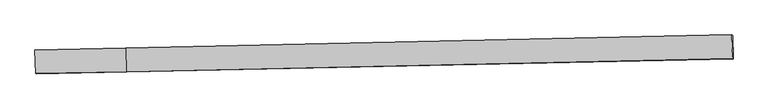
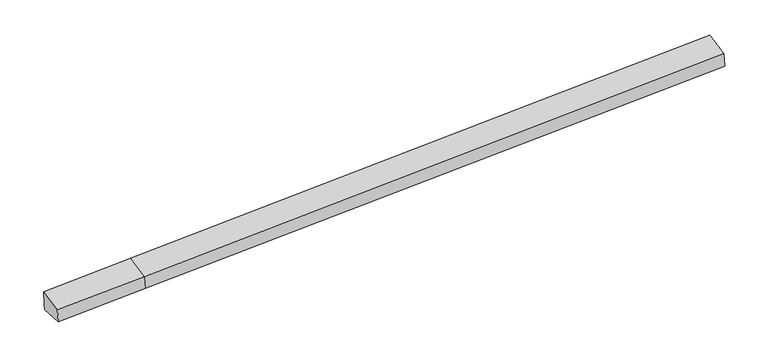
"""IFC4 building model written with IfcOpenShell, lengths in millimetres: proxy geometry."""

import ifcopenshell
import ifcopenshell.guid

model = None  # the IFC model being written
_history = None  # IfcOwnerHistory: only IFC2X3 demands one
_inside = {}  # id of a spatial element -> (the spatial element, [elements in it])
_under = {}  # id of a project, library or spatial element -> (it, [spatial elements below it])
_declared = {}  # id of a project -> (the project, [libraries it declares])
_typed = {}  # id of a type object -> (the type object, [elements of that type])
_made_of = {}  # id of a material, layer set ... -> (it, [elements and type objects made of it])


def new_model(schema):
    """Start an empty IFC model of exactly this schema.

    Asked for "IFC4X3", IfcOpenShell would pick the latest addendum, in which some entities
    have other attributes; the version numbers below select the first issue.
    IFC2X3 requires an IfcOwnerHistory on every rooted entity: one is made here for all.
    """
    global model, _history
    if schema == "IFC4X3":
        model = ifcopenshell.file(schema_version=(4, 3, 0, 0))
    else:
        model = ifcopenshell.file(schema=schema)
    _inside.clear()
    _under.clear()
    _declared.clear()
    _typed.clear()
    _made_of.clear()
    _history = None
    if model.schema == "IFC2X3":
        org = make("IfcOrganization", Name="unknown")
        user = make(
            "IfcPersonAndOrganization",
            ThePerson=make("IfcPerson", FamilyName="unknown"),
            TheOrganization=org,
        )
        app = make(
            "IfcApplication",
            ApplicationDeveloper=org,
            Version="unknown",
            ApplicationFullName="unknown",
            ApplicationIdentifier="unknown",
        )
        _history = make(
            "IfcOwnerHistory",
            OwningUser=user,
            OwningApplication=app,
            ChangeAction="ADDED",
            CreationDate=0,
        )
    return model


def make(cls, **values):
    """One entity of the class cls with the attributes given. An attribute that is None is left unset."""
    return model.create_entity(
        cls, **{name: value for name, value in values.items() if value is not None}
    )


def rooted(cls, **values):
    """An entity with a GlobalId (a new one), such as an element, a storey or a relation."""
    return make(cls, GlobalId=ifcopenshell.guid.new(), OwnerHistory=_history, **values)


def si_unit(unit_type, name, prefix=None):
    """IfcSIUnit, for example si_unit("LENGTHUNIT", "METRE", prefix="MILLI")."""
    return make("IfcSIUnit", UnitType=unit_type, Prefix=prefix, Name=name)


def assignment(units):
    """IfcUnitAssignment: the units of a project."""
    return None if units is None else make("IfcUnitAssignment", Units=units)


def point(xyz):
    """IfcCartesianPoint."""
    return None if xyz is None else make("IfcCartesianPoint", Coordinates=xyz)


def direction(xyz):
    """IfcDirection."""
    return None if xyz is None else make("IfcDirection", DirectionRatios=xyz)


def frame(location, z_axis=None, x_axis=None):
    """IfcAxis2Placement3D, a coordinate frame: its origin and axes. An axis left out is left unset."""
    return make(
        "IfcAxis2Placement3D",
        Location=point(location),
        Axis=direction(z_axis),
        RefDirection=direction(x_axis),
    )


def origin():
    """The frame at (0, 0, 0) with its axes left unset."""
    return frame((0.0, 0.0, 0.0))


def place(relative_to, where):
    """IfcLocalPlacement: puts the frame where relative to a parent placement (None: the world)."""
    return make(
        "IfcLocalPlacement", PlacementRelTo=relative_to, RelativePlacement=where
    )


def context(
    kind, dimensions, precision=None, world=None, true_north=None, identifier=None
):
    """IfcGeometricRepresentationContext, for example the 3D "Model" context."""
    return make(
        "IfcGeometricRepresentationContext",
        ContextIdentifier=identifier,
        ContextType=kind,
        CoordinateSpaceDimension=dimensions,
        Precision=precision,
        WorldCoordinateSystem=world,
        TrueNorth=true_north,
    )


def project(units=None, contexts=None):
    """IfcProject with its units and contexts."""
    return rooted(
        "IfcProject",
        Name="project",
        RepresentationContexts=contexts,
        UnitsInContext=assignment(units),
    )


def spatial(cls, under=None, at=None, **own):
    """A site, building, storey or space (cls), placed at a placement, below another one or the project."""
    s = rooted(cls, ObjectPlacement=at, **own)
    if under is not None:
        _under.setdefault(under.id(), (under, []))[1].append(s)
    return s


def shape(context_of_items, identifier, shape_type, items):
    """IfcShapeRepresentation: the items that make up one representation, for example the "Body"."""
    return make(
        "IfcShapeRepresentation",
        ContextOfItems=context_of_items,
        RepresentationIdentifier=identifier,
        RepresentationType=shape_type,
        Items=items,
    )


def source(mapping_origin, context_of_items, identifier, shape_type, items):
    """IfcRepresentationMap: a shape defined once, which mapped items show again and again."""
    return make(
        "IfcRepresentationMap",
        MappingOrigin=mapping_origin,
        MappedRepresentation=shape(context_of_items, identifier, shape_type, items),
    )


def transform(
    local_origin,
    x_axis=None,
    y_axis=None,
    z_axis=None,
    scale=None,
    scale2=None,
    scale3=None,
    uniform=True,
):
    """IfcCartesianTransformationOperator3D, or its non-uniform kind. x_axis, y_axis, z_axis: its Axis1, 2, 3."""
    if uniform:
        return make(
            "IfcCartesianTransformationOperator3D",
            Axis1=direction(x_axis),
            Axis2=direction(y_axis),
            LocalOrigin=point(local_origin),
            Scale=scale,
            Axis3=direction(z_axis),
        )
    return make(
        "IfcCartesianTransformationOperator3DnonUniform",
        Axis1=direction(x_axis),
        Axis2=direction(y_axis),
        LocalOrigin=point(local_origin),
        Scale=scale,
        Axis3=direction(z_axis),
        Scale2=scale2,
        Scale3=scale3,
    )


def mapped(mapping_source, mapping_target):
    """IfcMappedItem: shows the shape of a source again, moved by a transform."""
    return make(
        "IfcMappedItem", MappingSource=mapping_source, MappingTarget=mapping_target
    )


def made_of(thing, what):
    """Note that an element or type object is made of a material, layer set ...; save() writes the relation."""
    if what is not None:
        _made_of.setdefault(what.id(), (what, []))[1].append(thing)
    return thing


def element(
    cls,
    number,
    at=None,
    inside=None,
    cuts=None,
    type_object=None,
    material=None,
    context=None,
    identifier="Body",
    shape_type=None,
    held_by="IfcProductDefinitionShape",
    body=None,
    shapes=None,
    **own,
):
    """One element of the class cls, such as IfcWall. Its Tag is "e" and its number.

    at: its placement. inside: the storey or other place that contains it. cuts: it is an
    opening in that element (IfcRelVoidsElement). A single representation is given by context,
    identifier, shape_type and body (its items); several are given by shapes. held_by: the class
    of the entity that holds the representations. save() writes the other relations.
    """
    e = rooted(cls, Tag="e%d" % number, ObjectPlacement=at, **own)
    if body is not None:
        shapes = [shape(context, identifier, shape_type, body)]
    if shapes is not None:
        e.Representation = make(held_by, Representations=shapes)
    if inside is not None:
        _inside.setdefault(inside.id(), (inside, []))[1].append(e)
    if cuts is not None:
        rooted(
            "IfcRelVoidsElement", RelatingBuildingElement=cuts, RelatedOpeningElement=e
        )
    if type_object is not None:
        _typed.setdefault(type_object.id(), (type_object, []))[1].append(e)
    return made_of(e, material)


def aggregate(whole, parts):
    """IfcRelAggregates: a whole, such as a stair, and the parts it consists of."""
    return rooted("IfcRelAggregates", RelatingObject=whole, RelatedObjects=parts)


def save(model, path):
    """Write the relations noted so far, then the file.

    IfcRelAggregates (storeys below a building ...), IfcRelContainedInSpatialStructure (elements
    in a storey), IfcRelDefinesByType, IfcRelAssociatesMaterial and IfcRelDeclares: one each for
    every whole, place, type object, material and project.
    """
    for whole, parts in _under.values():
        aggregate(whole, parts)
    for where, things in _inside.values():
        rooted(
            "IfcRelContainedInSpatialStructure",
            RelatedElements=things,
            RelatingStructure=where,
        )
    for kind, things in _typed.values():
        rooted("IfcRelDefinesByType", RelatedObjects=things, RelatingType=kind)
    for what, things in _made_of.values():
        rooted("IfcRelAssociatesMaterial", RelatedObjects=things, RelatingMaterial=what)
    for by, libraries in _declared.values():
        rooted("IfcRelDeclares", RelatingContext=by, RelatedDefinitions=libraries)
    model.write(path)


def plane_surface(at):
    """IfcPlane: the flat surface through the origin of the frame at, square to its z axis."""
    return make("IfcPlane", Position=at)


def spline_surface(u_degree, v_degree, points, u_multiplicities, v_multiplicities, u_knots, v_knots, weights=None):
    """IfcBSplineSurfaceWithKnots; with weights, IfcRationalBSplineSurfaceWithKnots. points: one row for each step in u."""
    own = dict(
        UDegree=u_degree,
        VDegree=v_degree,
        ControlPointsList=[[point(p) for p in row] for row in points],
        SurfaceForm="UNSPECIFIED",
        UClosed=False,
        VClosed=False,
        SelfIntersect=False,
        UMultiplicities=u_multiplicities,
        VMultiplicities=v_multiplicities,
        UKnots=u_knots,
        VKnots=v_knots,
        KnotSpec="UNSPECIFIED",
    )
    if weights is None:
        return make("IfcBSplineSurfaceWithKnots", **own)
    return make("IfcRationalBSplineSurfaceWithKnots", WeightsData=weights, **own)


def advanced_brep(points, edges, surfaces, faces):
    """IfcAdvancedBrep: a solid bounded by faces that lie on surfaces and meet in shared edges.

    An edge is (start, end): straight between two places in points (the first is 0);
    or (start, end, curve); or (start, end, curve, False) where it runs against its curve.
    A face is (place in surfaces, loops), or (place, loops, False) where it looks against
    its surface's normal. A loop lists edges by number (the first is 1), with a minus sign
    where the edge is run from its end to its start. The first loop is the outer one.
    """
    corners = [point(p) for p in points]
    vertices = [make("IfcVertexPoint", VertexGeometry=c) for c in corners]
    made = []
    for start, end, *more in edges:
        made.append(
            make(
                "IfcEdgeCurve",
                EdgeStart=vertices[start],
                EdgeEnd=vertices[end],
                EdgeGeometry=more[0] if more else make("IfcPolyline", Points=[corners[start], corners[end]]),
                SameSense=more[1] if len(more) > 1 else True,
            )
        )
    hull = []
    for where, loops, *sense in faces:
        bounds = []
        for j, loop in enumerate(loops):
            ring = [make("IfcOrientedEdge", EdgeElement=made[abs(k) - 1], Orientation=k > 0) for k in loop]
            bounds.append(
                make(
                    "IfcFaceOuterBound" if j == 0 else "IfcFaceBound",
                    Bound=make("IfcEdgeLoop", EdgeList=ring),
                    Orientation=True,
                )
            )
        hull.append(make("IfcAdvancedFace", Bounds=bounds, FaceSurface=surfaces[where], SameSense=sense[0] if sense else True))
    return make("IfcAdvancedBrep", Outer=make("IfcClosedShell", CfsFaces=hull))


def generic_models_cc603905(model_context):
    return source(origin(), model_context, "Body", "AdvancedBrep", [
        advanced_brep(
        [(-7903.0762408, -2095.8645235, 1867.8177787), (-7887.2197425, -2108.4701657, 1474.1097009), (-5157.1584821, -2056.8983398, 1585.4022385), (-5172.3790006, -2044.7982904, 1963.3192911), (-7901.476811, -1413.9909029, 1451.2998454), (-5171.825826, -1342.4340622, 1561.9359843), (-7908.9177992, -1408.0754458, 1636.0554653), (-5178.8645986, -1336.8383595, 1736.7048139), (-7925.4566141, -1394.9273736, 2046.7050876), (-5195.4034134, -1323.6902873, 2147.3544362), (13040.1843291, -940.0058539, 2467.872578), (13024.6063647, -927.6216412, 2854.6648172), (13047.4683725, -1640.768139, 2670.3419529), (13063.5369555, -1653.542385, 2271.3679268), (13049.0330719, -947.0404516, 2248.1631922)],
        [
            (0, 1),
            (1, 2),
            (2, 3),
            (3, 0),
            (1, 4),
            (4, 5),
            (5, 1),
            (4, 6),
            (6, 7),
            (7, 5),
            (6, 8),
            (8, 9),
            (9, 7),
            (8, 0),
            (3, 9),
            (10, 11),
            (11, 12),
            (12, 13),
            (13, 14),
            (14, 10),
            (5, 2),
            (9, 11),
            (10, 7),
            (3, 12),
            (2, 13),
            (5, 14),
        ],
        [
            plane_surface(frame((-7895.1479916, -2102.1673446, 1670.9637398), z_axis=(0.01754421493693585, -0.9993111437051945, 0.03270227192203891), x_axis=(0.04022155778455361, -0.03197544390701064, -0.9986790261522135))),
            plane_surface(frame((-7894.3482768, -1761.2305343, 1462.7047732), z_axis=(0.04131352301164905, -0.03195158777025332, -0.9986352131060299), x_axis=(-0.02051376759799238, 0.9992507378768937, -0.032819935883834445))),
            plane_surface(frame((-7905.1973051, -1411.0331744, 1543.6776554), z_axis=(-0.024855090769940687, 0.99914653029992, -0.032991445140359), x_axis=(-0.04022155778460546, 0.0319754439070043, 0.9986790261522116))),
            plane_surface(frame((-7917.1872066, -1401.5014097, 1841.3802764), z_axis=(-0.02485509076994027, 0.9991465302999198, -0.032991445140364326), x_axis=(-0.04022155778455122, 0.031975443907011056, 0.9986790261522136))),
            plane_surface(frame((-7914.2664274, -1745.3959485, 1957.2614331), z_axis=(-0.02922597759070581, -0.24805580065745017, 0.9683047877574803), x_axis=(0.030922784484669164, -0.9684793068539644, -0.24716717742325597))),
            plane_surface(frame((13046.1611911, -1292.2431542, 2511.1344723), z_axis=(0.9989801858036624, 0.021806738395106655, 0.039535484469619867), x_axis=(-0.04022155778455113, 0.03197544390701628, 0.9986790261522134))),
            plane_surface(frame((-7904.3073521, -1753.3132414, 1709.9831031), z_axis=(-0.9989801858036615, -0.021806738395121976, -0.03953548446963312), x_axis=(-0.030922784484681408, 0.9684793068539642, 0.24716717742325517))),
            plane_surface(frame((-7887.2197425, -2108.4701657, 1474.1097009), z_axis=(0.04131352301164904, -0.03195158777025347, -0.9986352131060301), x_axis=(-0.020513767597980275, 0.9992507378768941, -0.03281993588383409))),
            plane_surface(frame((-5187.134006, -1330.2643234, 1942.029625), z_axis=(-0.020447871520553256, 0.99925217414744, -0.03281732792128865), x_axis=(-0.04022155778455062, 0.03197544390701614, 0.9986790261522135))),
            spline_surface(1, 1, [[(-5195.4034134, -1323.6902873, 2147.3544362), (13024.6063647, -927.6216412, 2854.6648172)], [(-5172.3790006, -2044.7982904, 1963.3192911), (13047.4683725, -1640.768139, 2670.3419529)]], [2, 2], [2, 2], [0.0, 1.0], [0.0, 1.0]),
            plane_surface(frame((-5164.7687414, -2050.8483151, 1774.3607648), z_axis=(0.02088433111264418, -0.999242580067265, 0.032834599045724534), x_axis=(0.04022155778455058, -0.0319754439070169, -0.9986790261522135))),
            plane_surface(frame((-5164.4921541, -1699.666201, 1573.6691114), z_axis=(0.03830943217157171, -0.03201712351898613, -0.9987528679349371), x_axis=(-0.020513767597985916, 0.9992507378768939, -0.032819935883835014))),
            plane_surface(frame((-5175.3452123, -1339.6362109, 1649.3203991), z_axis=(-0.020447871520553124, 0.9992521741474399, -0.03281732792128907), x_axis=(-0.040221557784552046, 0.031975443907016544, 0.9986790261522134))),
        ],
        [
            (0, [[1, 2, 3, 4]]),
            (1, [[5, 6, 7]]),
            (2, [[8, 9, 10, -6]]),
            (3, [[11, 12, 13, -9]]),
            (4, [[14, -4, 15, -12]]),
            (5, [[16, 17, 18, 19, 20]]),
            (6, [[-14, -11, -8, -5, -1]]),
            (7, [[21, -2, -7]]),
            (8, [[-13, 22, -16, 23]]),
            (9, [[-15, 24, -17, -22]]),
            (10, [[-3, 25, -18, -24]]),
            (11, [[-21, 26, -19, -25]]),
            (12, [[-10, -23, -20, -26]]),
        ],
    ),
    ])


if __name__ == "__main__":
    model = new_model("IFC4")
    model_context = context("Model", 3, world=origin())
    ifc_project = project(units=[si_unit("LENGTHUNIT", "METRE", prefix="MILLI")], contexts=[model_context])
    site = spatial("IfcSite", under=ifc_project)
    building = spatial("IfcBuilding", under=site)
    placement = place(None, origin())
    generic_models_shape = generic_models_cc603905(model_context)
    element("IfcBuildingElementProxy", 1, Name="Generic Models", at=placement, inside=building, context=model_context, shape_type="MappedRepresentation", body=[
        mapped(generic_models_shape, transform((0.0, 0.0, 0.0), x_axis=(1.0, 0.0, 0.0), y_axis=(0.0, 1.0, 0.0), z_axis=(0.0, 0.0, 1.0))),
    ])
    save(model, "model.ifc")
